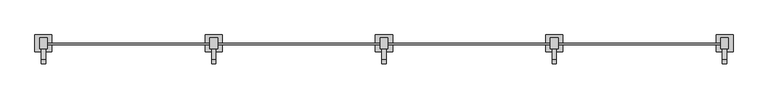
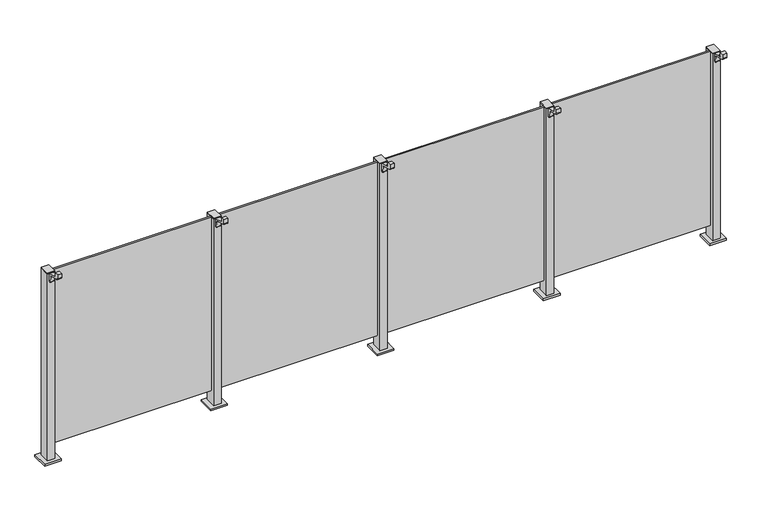
"""IFC4 building model written with IfcOpenShell, lengths in millimetres: railing geometry."""

from ifc_helpers import new_model, si_unit, point, frame, frame_2d, origin, origin_with_axes, place, context, project, spatial, polyline, circle_curve, trimmed, segment, composite_curve, outline, extrude, source, transform, mapped, element, save


def railing_347e2ecc(model_context):
    return source(origin(), model_context, "Body", "SweptSolid", [
        extrude(outline(polyline([(63010.0, 2690.9598727), (63990.0, 2690.9598727), (63990.0, 2680.9598727), (63010.0, 2680.9598727), (63010.0, 2690.9598727)])), frame((0.0, 0.0, 95.0), z_axis=(0.0, 0.0, 1.0), x_axis=(1.0, 0.0, 0.0)), (0.0, 0.0, 1.0), 1105.0),
        extrude(outline(polyline([(63022.5, 2657.6846828), (62977.5, 2657.6846828), (62977.5, 2722.6846828), (63022.5, 2722.6846828), (63022.5, 2657.6846828)])), frame((0.0, 0.0, 1200.0), z_axis=(0.0, 0.0, 1.0), x_axis=(1.0, 0.0, 0.0)), (0.0, 0.0, 1.0), 5.0),
        extrude(outline(polyline([(63050.0, 2640.1846828), (62950.0, 2640.1846828), (62950.0, 2740.1846828), (63050.0, 2740.1846828), (63050.0, 2640.1846828)])), origin_with_axes(), (0.0, 0.0, 1.0), 12.0),
        extrude(outline(polyline([(63022.5, 2657.6846828), (62977.5, 2657.6846828), (62977.5, 2722.6846828), (63022.5, 2722.6846828), (63022.5, 2657.6846828)])), frame((0.0, 0.0, 12.0), z_axis=(0.0, 0.0, 1.0), x_axis=(1.0, 0.0, 0.0)), (0.0, 0.0, 1.0), 1188.0),
        extrude(outline(composite_curve([segment(polyline([(2569.6846828, 1245.0), (2593.6846828, 1245.0), (2593.6846828, 1217.1487483), (2657.6846828, 1200.0), (2657.6846828, 1150.0), (2649.0523072, 1150.0)]), True, "CONTINUOUS"), segment(trimmed(circle_curve(frame_2d((2649.0523072, 1153.0)), 3.0), [point((2649.0523072, 1150.0))], [point((2646.0779726, 1152.6084214))], False, "CARTESIAN"), True, "CONTINUOUS"), segment(polyline([(2646.0779726, 1152.6084214), (2641.4711505, 1187.6007097)]), True, "CONTINUOUS"), segment(trimmed(circle_curve(frame_2d((2631.5567019, 1186.2954478)), 10.0), [point((2641.4711505, 1187.6007097))], [point((2634.1448923, 1195.9547061))], True, "CARTESIAN"), True, "CONTINUOUS"), segment(polyline([(2634.1448923, 1195.9547061), (2577.0964924, 1211.2407787)]), True, "CONTINUOUS"), segment(trimmed(circle_curve(frame_2d((2579.6846828, 1220.900037)), 10.0), [point((2577.0964924, 1211.2407787))], [point((2569.6846828, 1220.900037))], False, "CARTESIAN"), True, "CONTINUOUS"), segment(polyline([(2569.6846828, 1220.900037), (2569.6846828, 1245.0)]), True, "CONTINUOUS")], self_intersect=False)), frame((62987.5, 0.0, 0.0), z_axis=(1.0, 0.0, 0.0), x_axis=(0.0, 1.0, 0.0)), (0.0, 0.0, 1.0), 25.0),
        extrude(outline(polyline([(62010.0, 2690.9598727), (62990.0, 2690.9598727), (62990.0, 2680.9598727), (62010.0, 2680.9598727), (62010.0, 2690.9598727)])), frame((0.0, 0.0, 95.0), z_axis=(0.0, 0.0, 1.0), x_axis=(1.0, 0.0, 0.0)), (0.0, 0.0, 1.0), 1105.0),
        extrude(outline(polyline([(62022.5, 2657.6846828), (61977.5, 2657.6846828), (61977.5, 2722.6846828), (62022.5, 2722.6846828), (62022.5, 2657.6846828)])), frame((0.0, 0.0, 1200.0), z_axis=(0.0, 0.0, 1.0), x_axis=(1.0, 0.0, 0.0)), (0.0, 0.0, 1.0), 5.0),
        extrude(outline(polyline([(62050.0, 2640.1846828), (61950.0, 2640.1846828), (61950.0, 2740.1846828), (62050.0, 2740.1846828), (62050.0, 2640.1846828)])), origin_with_axes(), (0.0, 0.0, 1.0), 12.0),
        extrude(outline(polyline([(62022.5, 2657.6846828), (61977.5, 2657.6846828), (61977.5, 2722.6846828), (62022.5, 2722.6846828), (62022.5, 2657.6846828)])), frame((0.0, 0.0, 12.0), z_axis=(0.0, 0.0, 1.0), x_axis=(1.0, 0.0, 0.0)), (0.0, 0.0, 1.0), 1188.0),
        extrude(outline(composite_curve([segment(polyline([(2569.6846828, 1245.0), (2593.6846828, 1245.0), (2593.6846828, 1217.1487483), (2657.6846828, 1200.0), (2657.6846828, 1150.0), (2649.0523072, 1150.0)]), True, "CONTINUOUS"), segment(trimmed(circle_curve(frame_2d((2649.0523072, 1153.0)), 3.0), [point((2649.0523072, 1150.0))], [point((2646.0779726, 1152.6084214))], False, "CARTESIAN"), True, "CONTINUOUS"), segment(polyline([(2646.0779726, 1152.6084214), (2641.4711505, 1187.6007097)]), True, "CONTINUOUS"), segment(trimmed(circle_curve(frame_2d((2631.5567019, 1186.2954478)), 10.0), [point((2641.4711505, 1187.6007097))], [point((2634.1448923, 1195.9547061))], True, "CARTESIAN"), True, "CONTINUOUS"), segment(polyline([(2634.1448923, 1195.9547061), (2577.0964924, 1211.2407787)]), True, "CONTINUOUS"), segment(trimmed(circle_curve(frame_2d((2579.6846828, 1220.900037)), 10.0), [point((2577.0964924, 1211.2407787))], [point((2569.6846828, 1220.900037))], False, "CARTESIAN"), True, "CONTINUOUS"), segment(polyline([(2569.6846828, 1220.900037), (2569.6846828, 1245.0)]), True, "CONTINUOUS")], self_intersect=False)), frame((61987.5, 0.0, 0.0), z_axis=(1.0, 0.0, 0.0), x_axis=(0.0, 1.0, 0.0)), (0.0, 0.0, 1.0), 25.0),
        extrude(outline(polyline([(61010.0, 2690.9598727), (61990.0, 2690.9598727), (61990.0, 2680.9598727), (61010.0, 2680.9598727), (61010.0, 2690.9598727)])), frame((0.0, 0.0, 95.0), z_axis=(0.0, 0.0, 1.0), x_axis=(1.0, 0.0, 0.0)), (0.0, 0.0, 1.0), 1105.0),
        extrude(outline(polyline([(61022.5, 2657.6846828), (60977.5, 2657.6846828), (60977.5, 2722.6846828), (61022.5, 2722.6846828), (61022.5, 2657.6846828)])), frame((0.0, 0.0, 1200.0), z_axis=(0.0, 0.0, 1.0), x_axis=(1.0, 0.0, 0.0)), (0.0, 0.0, 1.0), 5.0),
        extrude(outline(polyline([(61050.0, 2640.1846828), (60950.0, 2640.1846828), (60950.0, 2740.1846828), (61050.0, 2740.1846828), (61050.0, 2640.1846828)])), origin_with_axes(), (0.0, 0.0, 1.0), 12.0),
        extrude(outline(polyline([(61022.5, 2657.6846828), (60977.5, 2657.6846828), (60977.5, 2722.6846828), (61022.5, 2722.6846828), (61022.5, 2657.6846828)])), frame((0.0, 0.0, 12.0), z_axis=(0.0, 0.0, 1.0), x_axis=(1.0, 0.0, 0.0)), (0.0, 0.0, 1.0), 1188.0),
        extrude(outline(composite_curve([segment(polyline([(2569.6846828, 1245.0), (2593.6846828, 1245.0), (2593.6846828, 1217.1487483), (2657.6846828, 1200.0), (2657.6846828, 1150.0), (2649.0523072, 1150.0)]), True, "CONTINUOUS"), segment(trimmed(circle_curve(frame_2d((2649.0523072, 1153.0)), 3.0), [point((2649.0523072, 1150.0))], [point((2646.0779726, 1152.6084214))], False, "CARTESIAN"), True, "CONTINUOUS"), segment(polyline([(2646.0779726, 1152.6084214), (2641.4711505, 1187.6007097)]), True, "CONTINUOUS"), segment(trimmed(circle_curve(frame_2d((2631.5567019, 1186.2954478)), 10.0), [point((2641.4711505, 1187.6007097))], [point((2634.1448923, 1195.9547061))], True, "CARTESIAN"), True, "CONTINUOUS"), segment(polyline([(2634.1448923, 1195.9547061), (2577.0964924, 1211.2407787)]), True, "CONTINUOUS"), segment(trimmed(circle_curve(frame_2d((2579.6846828, 1220.900037)), 10.0), [point((2577.0964924, 1211.2407787))], [point((2569.6846828, 1220.900037))], False, "CARTESIAN"), True, "CONTINUOUS"), segment(polyline([(2569.6846828, 1220.900037), (2569.6846828, 1245.0)]), True, "CONTINUOUS")], self_intersect=False)), frame((60987.5, 0.0, 0.0), z_axis=(1.0, 0.0, 0.0), x_axis=(0.0, 1.0, 0.0)), (0.0, 0.0, 1.0), 25.0),
        extrude(outline(polyline([(60010.0, 2690.9598727), (60990.0, 2690.9598727), (60990.0, 2680.9598727), (60010.0, 2680.9598727), (60010.0, 2690.9598727)])), frame((0.0, 0.0, 95.0), z_axis=(0.0, 0.0, 1.0), x_axis=(1.0, 0.0, 0.0)), (0.0, 0.0, 1.0), 1105.0),
        extrude(outline(polyline([(64022.5, 2657.6846828), (63977.5, 2657.6846828), (63977.5, 2722.6846828), (64022.5, 2722.6846828), (64022.5, 2657.6846828)])), frame((0.0, 0.0, 1200.0), z_axis=(0.0, 0.0, 1.0), x_axis=(1.0, 0.0, 0.0)), (0.0, 0.0, 1.0), 5.0),
        extrude(outline(polyline([(64050.0, 2640.1846828), (63950.0, 2640.1846828), (63950.0, 2740.1846828), (64050.0, 2740.1846828), (64050.0, 2640.1846828)])), origin_with_axes(), (0.0, 0.0, 1.0), 12.0),
        extrude(outline(polyline([(64022.5, 2657.6846828), (63977.5, 2657.6846828), (63977.5, 2722.6846828), (64022.5, 2722.6846828), (64022.5, 2657.6846828)])), frame((0.0, 0.0, 12.0), z_axis=(0.0, 0.0, 1.0), x_axis=(1.0, 0.0, 0.0)), (0.0, 0.0, 1.0), 1188.0),
        extrude(outline(composite_curve([segment(polyline([(2569.6846828, 1245.0), (2593.6846828, 1245.0), (2593.6846828, 1217.1487483), (2657.6846828, 1200.0), (2657.6846828, 1150.0), (2649.0523072, 1150.0)]), True, "CONTINUOUS"), segment(trimmed(circle_curve(frame_2d((2649.0523072, 1153.0)), 3.0), [point((2649.0523072, 1150.0))], [point((2646.0779726, 1152.6084214))], False, "CARTESIAN"), True, "CONTINUOUS"), segment(polyline([(2646.0779726, 1152.6084214), (2641.4711505, 1187.6007097)]), True, "CONTINUOUS"), segment(trimmed(circle_curve(frame_2d((2631.5567019, 1186.2954478)), 10.0), [point((2641.4711505, 1187.6007097))], [point((2634.1448923, 1195.9547061))], True, "CARTESIAN"), True, "CONTINUOUS"), segment(polyline([(2634.1448923, 1195.9547061), (2577.0964924, 1211.2407787)]), True, "CONTINUOUS"), segment(trimmed(circle_curve(frame_2d((2579.6846828, 1220.900037)), 10.0), [point((2577.0964924, 1211.2407787))], [point((2569.6846828, 1220.900037))], False, "CARTESIAN"), True, "CONTINUOUS"), segment(polyline([(2569.6846828, 1220.900037), (2569.6846828, 1245.0)]), True, "CONTINUOUS")], self_intersect=False)), frame((63987.5, 0.0, 0.0), z_axis=(1.0, 0.0, 0.0), x_axis=(0.0, 1.0, 0.0)), (0.0, 0.0, 1.0), 25.0),
        extrude(outline(polyline([(60022.5, 2657.6846828), (59977.5, 2657.6846828), (59977.5, 2722.6846828), (60022.5, 2722.6846828), (60022.5, 2657.6846828)])), frame((0.0, 0.0, 1200.0), z_axis=(0.0, 0.0, 1.0), x_axis=(1.0, 0.0, 0.0)), (0.0, 0.0, 1.0), 5.0),
        extrude(outline(polyline([(60050.0, 2640.1846828), (59950.0, 2640.1846828), (59950.0, 2740.1846828), (60050.0, 2740.1846828), (60050.0, 2640.1846828)])), origin_with_axes(), (0.0, 0.0, 1.0), 12.0),
        extrude(outline(polyline([(60022.5, 2657.6846828), (59977.5, 2657.6846828), (59977.5, 2722.6846828), (60022.5, 2722.6846828), (60022.5, 2657.6846828)])), frame((0.0, 0.0, 12.0), z_axis=(0.0, 0.0, 1.0), x_axis=(1.0, 0.0, 0.0)), (0.0, 0.0, 1.0), 1188.0),
        extrude(outline(composite_curve([segment(polyline([(2569.6846828, 1245.0), (2593.6846828, 1245.0), (2593.6846828, 1217.1487483), (2657.6846828, 1200.0), (2657.6846828, 1150.0), (2649.0523072, 1150.0)]), True, "CONTINUOUS"), segment(trimmed(circle_curve(frame_2d((2649.0523072, 1153.0)), 3.0), [point((2649.0523072, 1150.0))], [point((2646.0779726, 1152.6084214))], False, "CARTESIAN"), True, "CONTINUOUS"), segment(polyline([(2646.0779726, 1152.6084214), (2641.4711505, 1187.6007097)]), True, "CONTINUOUS"), segment(trimmed(circle_curve(frame_2d((2631.5567019, 1186.2954478)), 10.0), [point((2641.4711505, 1187.6007097))], [point((2634.1448923, 1195.9547061))], True, "CARTESIAN"), True, "CONTINUOUS"), segment(polyline([(2634.1448923, 1195.9547061), (2577.0964924, 1211.2407787)]), True, "CONTINUOUS"), segment(trimmed(circle_curve(frame_2d((2579.6846828, 1220.900037)), 10.0), [point((2577.0964924, 1211.2407787))], [point((2569.6846828, 1220.900037))], False, "CARTESIAN"), True, "CONTINUOUS"), segment(polyline([(2569.6846828, 1220.900037), (2569.6846828, 1245.0)]), True, "CONTINUOUS")], self_intersect=False)), frame((59987.5, 0.0, 0.0), z_axis=(1.0, 0.0, 0.0), x_axis=(0.0, 1.0, 0.0)), (0.0, 0.0, 1.0), 25.0),
    ])


if __name__ == "__main__":
    model = new_model("IFC4")
    model_context = context("Model", 3, world=origin())
    ifc_project = project(units=[si_unit("LENGTHUNIT", "METRE", prefix="MILLI")], contexts=[model_context])
    site = spatial("IfcSite", under=ifc_project)
    building = spatial("IfcBuilding", under=site)
    placement = place(None, origin())
    railing_shape = railing_347e2ecc(model_context)
    element("IfcRailing", 1, at=placement, inside=building, context=model_context, shape_type="MappedRepresentation", body=[
        mapped(railing_shape, transform((0.0, 0.0, 0.0), x_axis=(1.0, 0.0, 0.0), y_axis=(0.0, 1.0, 0.0), z_axis=(0.0, 0.0, 1.0))),
    ])
    save(model, "model.ifc")
